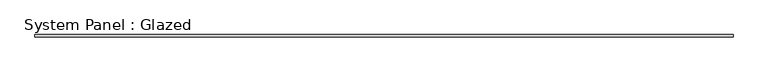
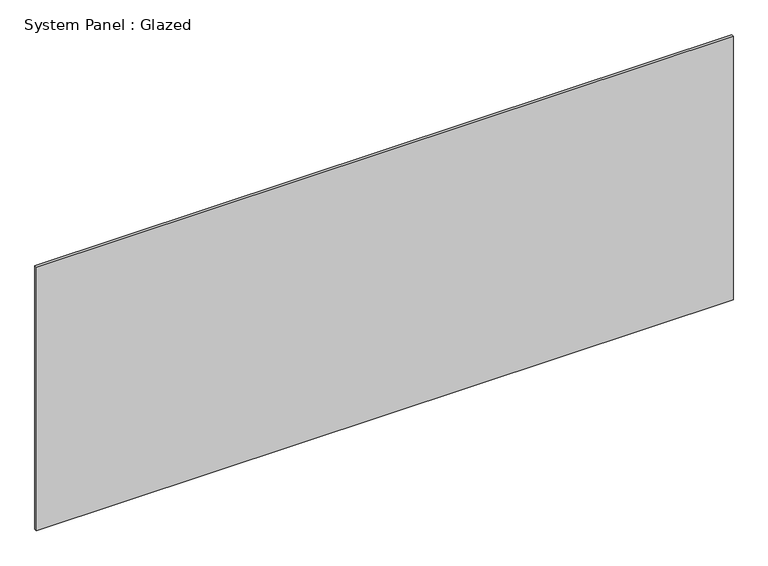
"""IFC4 building model written with IfcOpenShell, lengths in millimetres: plate geometry, System Panel : Glazed."""

import ifcopenshell
import ifcopenshell.guid

model = None  # the IFC model being written
_history = None  # IfcOwnerHistory: only IFC2X3 demands one
_inside = {}  # id of a spatial element -> (the spatial element, [elements in it])
_under = {}  # id of a project, library or spatial element -> (it, [spatial elements below it])
_declared = {}  # id of a project -> (the project, [libraries it declares])
_typed = {}  # id of a type object -> (the type object, [elements of that type])
_made_of = {}  # id of a material, layer set ... -> (it, [elements and type objects made of it])


def new_model(schema):
    """Start an empty IFC model of exactly this schema.

    Asked for "IFC4X3", IfcOpenShell would pick the latest addendum, in which some entities
    have other attributes; the version numbers below select the first issue.
    IFC2X3 requires an IfcOwnerHistory on every rooted entity: one is made here for all.
    """
    global model, _history
    if schema == "IFC4X3":
        model = ifcopenshell.file(schema_version=(4, 3, 0, 0))
    else:
        model = ifcopenshell.file(schema=schema)
    _inside.clear()
    _under.clear()
    _declared.clear()
    _typed.clear()
    _made_of.clear()
    _history = None
    if model.schema == "IFC2X3":
        org = make("IfcOrganization", Name="unknown")
        user = make(
            "IfcPersonAndOrganization",
            ThePerson=make("IfcPerson", FamilyName="unknown"),
            TheOrganization=org,
        )
        app = make(
            "IfcApplication",
            ApplicationDeveloper=org,
            Version="unknown",
            ApplicationFullName="unknown",
            ApplicationIdentifier="unknown",
        )
        _history = make(
            "IfcOwnerHistory",
            OwningUser=user,
            OwningApplication=app,
            ChangeAction="ADDED",
            CreationDate=0,
        )
    return model


def make(cls, **values):
    """One entity of the class cls with the attributes given. An attribute that is None is left unset."""
    return model.create_entity(
        cls, **{name: value for name, value in values.items() if value is not None}
    )


def rooted(cls, **values):
    """An entity with a GlobalId (a new one), such as an element, a storey or a relation."""
    return make(cls, GlobalId=ifcopenshell.guid.new(), OwnerHistory=_history, **values)


def si_unit(unit_type, name, prefix=None):
    """IfcSIUnit, for example si_unit("LENGTHUNIT", "METRE", prefix="MILLI")."""
    return make("IfcSIUnit", UnitType=unit_type, Prefix=prefix, Name=name)


def assignment(units):
    """IfcUnitAssignment: the units of a project."""
    return None if units is None else make("IfcUnitAssignment", Units=units)


def point(xyz):
    """IfcCartesianPoint."""
    return None if xyz is None else make("IfcCartesianPoint", Coordinates=xyz)


def direction(xyz):
    """IfcDirection."""
    return None if xyz is None else make("IfcDirection", DirectionRatios=xyz)


def frame(location, z_axis=None, x_axis=None):
    """IfcAxis2Placement3D, a coordinate frame: its origin and axes. An axis left out is left unset."""
    return make(
        "IfcAxis2Placement3D",
        Location=point(location),
        Axis=direction(z_axis),
        RefDirection=direction(x_axis),
    )


def origin():
    """The frame at (0, 0, 0) with its axes left unset."""
    return frame((0.0, 0.0, 0.0))


def origin_with_axes():
    """The frame at (0, 0, 0) with the z axis (0, 0, 1) and the x axis (1, 0, 0) written out."""
    return frame((0.0, 0.0, 0.0), z_axis=(0.0, 0.0, 1.0), x_axis=(1.0, 0.0, 0.0))


def place(relative_to, where):
    """IfcLocalPlacement: puts the frame where relative to a parent placement (None: the world)."""
    return make(
        "IfcLocalPlacement", PlacementRelTo=relative_to, RelativePlacement=where
    )


def context(
    kind, dimensions, precision=None, world=None, true_north=None, identifier=None
):
    """IfcGeometricRepresentationContext, for example the 3D "Model" context."""
    return make(
        "IfcGeometricRepresentationContext",
        ContextIdentifier=identifier,
        ContextType=kind,
        CoordinateSpaceDimension=dimensions,
        Precision=precision,
        WorldCoordinateSystem=world,
        TrueNorth=true_north,
    )


def project(units=None, contexts=None):
    """IfcProject with its units and contexts."""
    return rooted(
        "IfcProject",
        Name="project",
        RepresentationContexts=contexts,
        UnitsInContext=assignment(units),
    )


def spatial(cls, under=None, at=None, **own):
    """A site, building, storey or space (cls), placed at a placement, below another one or the project."""
    s = rooted(cls, ObjectPlacement=at, **own)
    if under is not None:
        _under.setdefault(under.id(), (under, []))[1].append(s)
    return s


def polyline(points):
    """IfcPolyline through the points."""
    return make("IfcPolyline", Points=[point(p) for p in points])


def outline(outer, holes=None, kind="AREA"):
    """IfcArbitraryClosedProfileDef: a profile drawn as a closed curve; with holes, ...WithVoids."""
    if holes is None:
        return make("IfcArbitraryClosedProfileDef", ProfileType=kind, OuterCurve=outer)
    return make(
        "IfcArbitraryProfileDefWithVoids",
        ProfileType=kind,
        OuterCurve=outer,
        InnerCurves=holes,
    )


def extrude(swept, where, along, depth):
    """IfcExtrudedAreaSolid: the profile swept, set in the frame where, extruded along a direction by depth."""
    return make(
        "IfcExtrudedAreaSolid",
        SweptArea=swept,
        Position=where,
        ExtrudedDirection=direction(along),
        Depth=depth,
    )


def shape(context_of_items, identifier, shape_type, items):
    """IfcShapeRepresentation: the items that make up one representation, for example the "Body"."""
    return make(
        "IfcShapeRepresentation",
        ContextOfItems=context_of_items,
        RepresentationIdentifier=identifier,
        RepresentationType=shape_type,
        Items=items,
    )


def source(mapping_origin, context_of_items, identifier, shape_type, items):
    """IfcRepresentationMap: a shape defined once, which mapped items show again and again."""
    return make(
        "IfcRepresentationMap",
        MappingOrigin=mapping_origin,
        MappedRepresentation=shape(context_of_items, identifier, shape_type, items),
    )


def transform(
    local_origin,
    x_axis=None,
    y_axis=None,
    z_axis=None,
    scale=None,
    scale2=None,
    scale3=None,
    uniform=True,
):
    """IfcCartesianTransformationOperator3D, or its non-uniform kind. x_axis, y_axis, z_axis: its Axis1, 2, 3."""
    if uniform:
        return make(
            "IfcCartesianTransformationOperator3D",
            Axis1=direction(x_axis),
            Axis2=direction(y_axis),
            LocalOrigin=point(local_origin),
            Scale=scale,
            Axis3=direction(z_axis),
        )
    return make(
        "IfcCartesianTransformationOperator3DnonUniform",
        Axis1=direction(x_axis),
        Axis2=direction(y_axis),
        LocalOrigin=point(local_origin),
        Scale=scale,
        Axis3=direction(z_axis),
        Scale2=scale2,
        Scale3=scale3,
    )


def mapped(mapping_source, mapping_target):
    """IfcMappedItem: shows the shape of a source again, moved by a transform."""
    return make(
        "IfcMappedItem", MappingSource=mapping_source, MappingTarget=mapping_target
    )


def made_of(thing, what):
    """Note that an element or type object is made of a material, layer set ...; save() writes the relation."""
    if what is not None:
        _made_of.setdefault(what.id(), (what, []))[1].append(thing)
    return thing


def element(
    cls,
    number,
    at=None,
    inside=None,
    cuts=None,
    type_object=None,
    material=None,
    context=None,
    identifier="Body",
    shape_type=None,
    held_by="IfcProductDefinitionShape",
    body=None,
    shapes=None,
    **own,
):
    """One element of the class cls, such as IfcWall. Its Tag is "e" and its number.

    at: its placement. inside: the storey or other place that contains it. cuts: it is an
    opening in that element (IfcRelVoidsElement). A single representation is given by context,
    identifier, shape_type and body (its items); several are given by shapes. held_by: the class
    of the entity that holds the representations. save() writes the other relations.
    """
    e = rooted(cls, Tag="e%d" % number, ObjectPlacement=at, **own)
    if body is not None:
        shapes = [shape(context, identifier, shape_type, body)]
    if shapes is not None:
        e.Representation = make(held_by, Representations=shapes)
    if inside is not None:
        _inside.setdefault(inside.id(), (inside, []))[1].append(e)
    if cuts is not None:
        rooted(
            "IfcRelVoidsElement", RelatingBuildingElement=cuts, RelatedOpeningElement=e
        )
    if type_object is not None:
        _typed.setdefault(type_object.id(), (type_object, []))[1].append(e)
    return made_of(e, material)


def aggregate(whole, parts):
    """IfcRelAggregates: a whole, such as a stair, and the parts it consists of."""
    return rooted("IfcRelAggregates", RelatingObject=whole, RelatedObjects=parts)


def save(model, path):
    """Write the relations noted so far, then the file.

    IfcRelAggregates (storeys below a building ...), IfcRelContainedInSpatialStructure (elements
    in a storey), IfcRelDefinesByType, IfcRelAssociatesMaterial and IfcRelDeclares: one each for
    every whole, place, type object, material and project.
    """
    for whole, parts in _under.values():
        aggregate(whole, parts)
    for where, things in _inside.values():
        rooted(
            "IfcRelContainedInSpatialStructure",
            RelatedElements=things,
            RelatingStructure=where,
        )
    for kind, things in _typed.values():
        rooted("IfcRelDefinesByType", RelatedObjects=things, RelatingType=kind)
    for what, things in _made_of.values():
        rooted("IfcRelAssociatesMaterial", RelatedObjects=things, RelatingMaterial=what)
    for by, libraries in _declared.values():
        rooted("IfcRelDeclares", RelatingContext=by, RelatedDefinitions=libraries)
    model.write(path)


def system_panel_glazed_bbda93dc(model_context):
    return source(origin(), model_context, "Body", "SweptSolid", [
        extrude(outline(polyline([(3810.0, 19.05), (-3810.0, 19.05), (-3810.0, 44.45), (3810.0, 44.45), (3810.0, 19.05)])), origin_with_axes(), (0.0, 0.0, 1.0), 3048.0),
    ])


if __name__ == "__main__":
    model = new_model("IFC4")
    model_context = context("Model", 3, world=origin())
    ifc_project = project(units=[si_unit("LENGTHUNIT", "METRE", prefix="MILLI")], contexts=[model_context])
    site = spatial("IfcSite", under=ifc_project)
    building = spatial("IfcBuilding", under=site)
    placement = place(None, origin())
    system_panel_glazed_shape = system_panel_glazed_bbda93dc(model_context)
    element("IfcPlate", 1, ObjectType="System Panel : Glazed", at=placement, inside=building, context=model_context, shape_type="MappedRepresentation", body=[
        mapped(system_panel_glazed_shape, transform((0.0, 0.0, 0.0), x_axis=(1.0, 0.0, 0.0), y_axis=(0.0, 1.0, 0.0), z_axis=(0.0, 0.0, 1.0))),
    ])
    save(model, "model.ifc")
